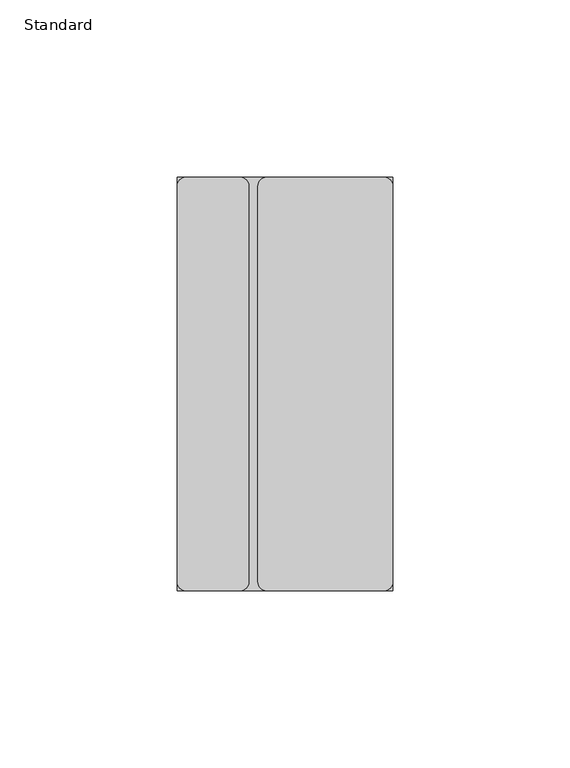
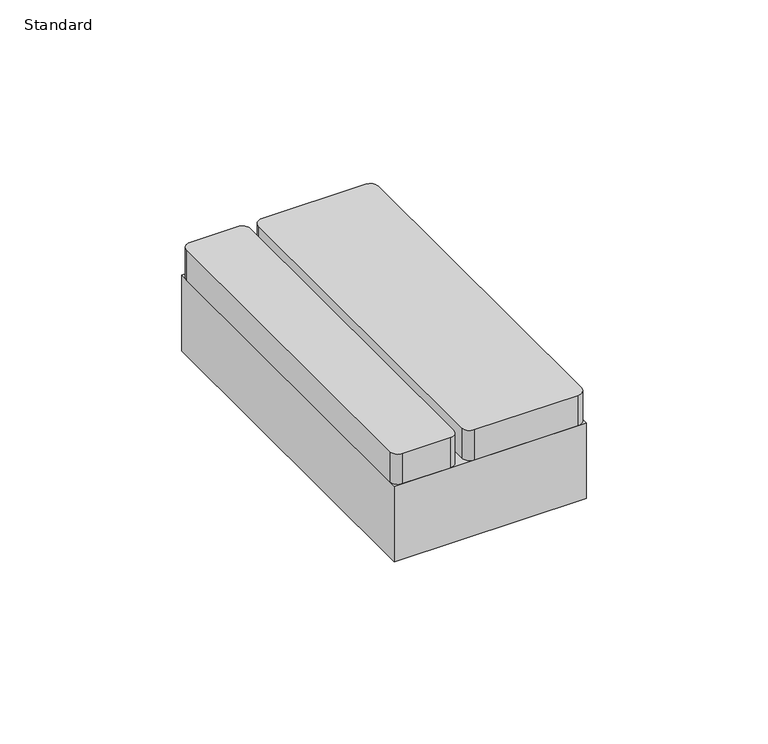
"""IFC4 building model written with IfcOpenShell, lengths in millimetres: proxy geometry, Standard."""

from ifc_helpers import new_model, si_unit, point, frame, frame_2d, origin, origin_with_axes, place, context, project, spatial, polyline, circle_curve, trimmed, segment, composite_curve, outline, extrude, source, transform, mapped, element, save


def standard_95a0715b(model_context):
    return source(origin(), model_context, "Body", "SweptSolid", [
        extrude(outline(composite_curve([segment(polyline([(30.4601563, -2.54), (30.4601562, -114.3396875)]), True, "CONTINUOUS"), segment(trimmed(circle_curve(frame_2d((27.9201563, -114.3396875)), 2.54), [point((30.4601562, -114.3396875))], [point((27.9201563, -116.8796875))], False, "CARTESIAN"), True, "CONTINUOUS"), segment(polyline([(27.9201563, -116.8796875), (-5.0733854, -116.8796875)]), True, "CONTINUOUS"), segment(trimmed(circle_curve(frame_2d((-5.0733854, -114.3396875)), 2.54), [point((-5.0733854, -116.8796875))], [point((-7.6133854, -114.3396875))], False, "CARTESIAN"), True, "CONTINUOUS"), segment(polyline([(-7.6133854, -114.3396875), (-7.6133854, -2.54)]), True, "CONTINUOUS"), segment(trimmed(circle_curve(frame_2d((-5.0733854, -2.54)), 2.54), [point((-7.6133854, -2.54))], [point((-5.0733854, 0.0))], False, "CARTESIAN"), True, "CONTINUOUS"), segment(polyline([(-5.0733854, 0.0), (27.9201563, 0.0)]), True, "CONTINUOUS"), segment(trimmed(circle_curve(frame_2d((27.9201563, -2.54)), 2.54), [point((27.9201563, 0.0))], [point((30.4601563, -2.54))], False, "CARTESIAN"), True, "CONTINUOUS")], self_intersect=False)), frame((0.0, 0.0, 25.4), z_axis=(0.0, 0.0, 1.0), x_axis=(1.0, 0.0, 0.0)), (0.0, 0.0, 1.0), 10.1203125),
        extrude(outline(composite_curve([segment(polyline([(-27.9201562, 0.0), (-12.6933854, 0.0)]), True, "CONTINUOUS"), segment(trimmed(circle_curve(frame_2d((-12.6933854, -2.54)), 2.54), [point((-12.6933854, 0.0))], [point((-10.1533854, -2.54))], False, "CARTESIAN"), True, "CONTINUOUS"), segment(polyline([(-10.1533854, -2.54), (-10.1533854, -114.3396875)]), True, "CONTINUOUS"), segment(trimmed(circle_curve(frame_2d((-12.6933854, -114.3396875)), 2.54), [point((-10.1533854, -114.3396875))], [point((-12.6933854, -116.8796875))], False, "CARTESIAN"), True, "CONTINUOUS"), segment(polyline([(-12.6933854, -116.8796875), (-27.9201562, -116.8796875)]), True, "CONTINUOUS"), segment(trimmed(circle_curve(frame_2d((-27.9201562, -114.3396875)), 2.54), [point((-27.9201562, -116.8796875))], [point((-30.4601562, -114.3396875))], False, "CARTESIAN"), True, "CONTINUOUS"), segment(polyline([(-30.4601562, -114.3396875), (-30.4601562, -2.54)]), True, "CONTINUOUS"), segment(trimmed(circle_curve(frame_2d((-27.9201562, -2.54)), 2.54), [point((-30.4601562, -2.54))], [point((-27.9201562, 0.0))], False, "CARTESIAN"), True, "CONTINUOUS")], self_intersect=False)), frame((0.0, 0.0, 25.4), z_axis=(0.0, 0.0, 1.0), x_axis=(1.0, 0.0, 0.0)), (0.0, 0.0, 1.0), 10.1203125),
        extrude(outline(polyline([(30.4601563, 0.0), (30.4601563, -116.8796875), (-30.4601562, -116.8796875), (-30.4601562, 0.0), (30.4601563, 0.0)])), origin_with_axes(), (0.0, 0.0, 1.0), 25.4),
    ])


if __name__ == "__main__":
    model = new_model("IFC4")
    model_context = context("Model", 3, world=origin())
    ifc_project = project(units=[si_unit("LENGTHUNIT", "METRE", prefix="MILLI")], contexts=[model_context])
    site = spatial("IfcSite", under=ifc_project)
    building = spatial("IfcBuilding", under=site)
    placement = place(None, origin())
    standard_shape = standard_95a0715b(model_context)
    element("IfcBuildingElementProxy", 1, Name="Standard", ObjectType="Standard", at=placement, inside=building, context=model_context, shape_type="MappedRepresentation", body=[
        mapped(standard_shape, transform((0.0, 0.0, 0.0), x_axis=(1.0, 0.0, 0.0), y_axis=(0.0, 1.0, 0.0), z_axis=(0.0, 0.0, 1.0))),
    ])
    save(model, "model.ifc")
